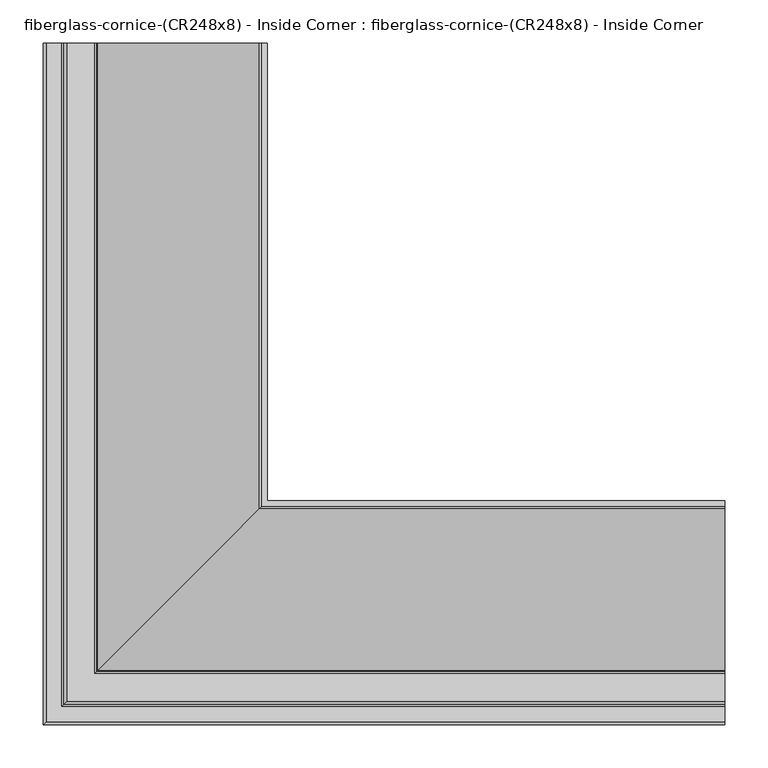
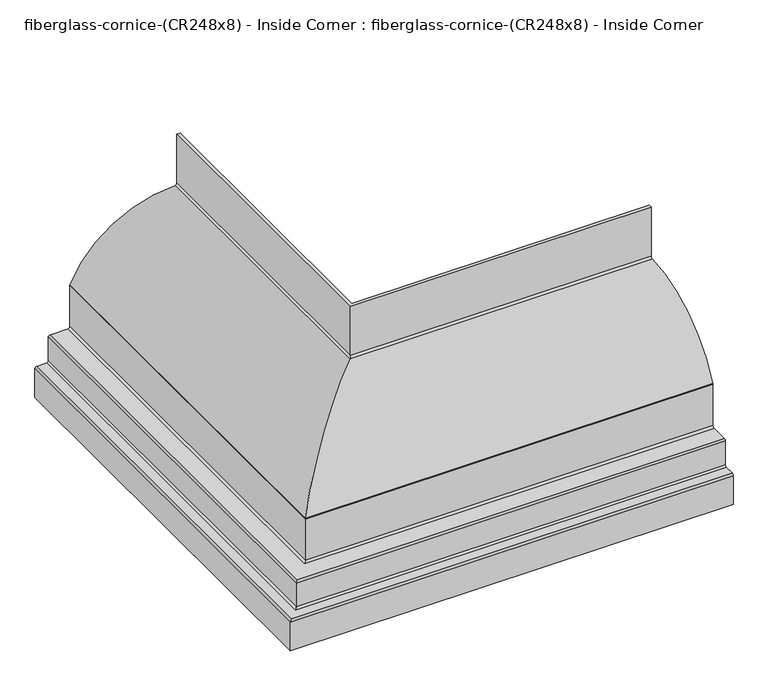
"""IFC4 building model written with IfcOpenShell, lengths in millimetres: furniture geometry, fiberglass-cornice-(CR248x8) - Inside Corner : fiberglass-cornice-(CR248x8) - Inside Corner."""

from ifc_helpers import new_model, si_unit, frame, origin, place, context, project, spatial, polyline, circle_curve, ellipse_curve, source, transform, mapped, element, save
from ifc_brep_helpers import plane_surface, cylinder_surface, revolved_surface, advanced_brep


def fiberglass_cornice_cr248x8_inside_corner_fiberglass_cornice_bc7ba54c(model_context):
    return source(origin(), model_context, "Body", "AdvancedBrep", [
        advanced_brep(
        [(-134.9374938, 888.603125, 330.1999904), (-134.9374938, 888.603125, 231.8481398), (-138.1597503, 888.603125, 228.6734915), (-325.1334084, 888.603125, 112.1425073), (-325.4374938, 888.603125, 110.7866037), (-325.4374938, 888.603125, 28.5749904), (-328.6124938, 888.603125, 25.3999904), (-360.3624938, 888.603125, 25.3999904), (-363.5374938, 888.603125, 22.2249904), (-363.5374938, 888.603125, -22.2250009), (-366.7124938, 888.603125, -25.4000009), (-384.1749938, 888.603125, -25.4000009), (-387.3499938, 888.603125, -28.5750009), (-387.3499938, 888.603125, -76.2000009), (-393.6999938, 888.603125, -76.2000009), (-393.6999938, 888.603125, -22.2250009), (-390.5249938, 888.603125, -19.0500009), (-373.0624938, 888.603125, -19.0500009), (-369.8874938, 888.603125, -15.8750009), (-369.8874938, 888.603125, 28.5749904), (-366.7124938, 888.603125, 31.7499904), (-334.9624938, 888.603125, 31.7499904), (-331.7874938, 888.603125, 34.9249904), (-331.7874938, 888.603125, 112.1990401), (-331.4927545, 888.603125, 113.5349756), (-144.4136671, 888.603125, 235.0212181), (-141.2874938, 888.603125, 238.1958426), (-141.2874938, 888.603125, 330.1999904), (393.6999938, 359.965625, 330.1999904), (393.6999938, 353.615625, 330.1999904), (393.6999938, 353.615625, 238.1958426), (393.6999938, 350.4894517, 235.0212181), (393.6999938, 163.4103644, 113.5349756), (393.6999938, 163.115625, 112.1990401), (393.6999938, 163.115625, 34.9249904), (393.6999938, 159.940625, 31.7499904), (393.6999938, 128.190625, 31.7499904), (393.6999938, 125.015625, 28.5749904), (393.6999938, 125.015625, -15.8750009), (393.6999938, 121.840625, -19.0500009), (393.6999938, 104.378125, -19.0500009), (393.6999938, 101.203125, -22.2250009), (393.6999938, 101.203125, -76.2000009), (393.6999938, 107.553125, -76.2000009), (393.6999938, 107.553125, -28.5750009), (393.6999938, 110.728125, -25.4000009), (393.6999938, 128.190625, -25.4000009), (393.6999938, 131.365625, -22.2250009), (393.6999938, 131.365625, 22.2249904), (393.6999938, 134.540625, 25.3999904), (393.6999938, 166.290625, 25.3999904), (393.6999938, 169.465625, 28.5749904), (393.6999938, 169.465625, 110.7866037), (393.6999938, 169.7697105, 112.1425073), (393.6999938, 356.7433685, 228.6734915), (393.6999938, 359.965625, 231.8481398), (-134.9374938, 359.965625, 330.1999904), (-134.9374938, 359.965625, 231.8481398), (-138.1597503, 356.7433685, 228.6734915), (-325.1334084, 169.7697105, 112.1425073), (-325.4374938, 169.465625, 110.7866037), (-325.4374938, 169.465625, 28.5749904), (-328.6124938, 166.290625, 25.3999904), (-360.3624938, 134.540625, 25.3999904), (-363.5374938, 131.365625, 22.2249904), (-363.5374938, 131.365625, -22.2250009), (-366.7124938, 128.190625, -25.4000009), (-384.1749938, 110.728125, -25.4000009), (-387.3499938, 107.553125, -28.5750009), (-387.3499938, 107.553125, -76.2000009), (-393.6999938, 101.203125, -76.2000009), (-393.6999938, 101.203125, -22.2250009), (-390.5249938, 104.378125, -19.0500009), (-373.0624938, 121.840625, -19.0500009), (-369.8874938, 125.015625, -15.8750009), (-369.8874938, 125.015625, 28.5749904), (-366.7124938, 128.190625, 31.7499904), (-334.9624938, 159.940625, 31.7499904), (-331.7874938, 163.115625, 34.9249904), (-331.7874938, 163.115625, 112.1990401), (-331.4927545, 163.4103644, 113.5349756), (-144.4136671, 350.4894517, 235.0212181), (-141.2874938, 353.615625, 238.1958426), (-141.2874938, 353.615625, 330.1999904)],
        [
            (0, 1),
            (1, 2, circle_curve(frame((-138.1124938, 888.603125, 231.8481398), z_axis=(0.0, 1.0, 0.0), x_axis=(1.0, 0.0, 0.0)), 3.175)),
            (2, 3, circle_curve(frame((-141.1875782, 888.603125, 25.2667695), z_axis=(0.0, -1.0, 0.0), x_axis=(1.0, 0.0, 0.0)), 203.4292562)),
            (3, 4, circle_curve(frame((-322.2624938, 888.603125, 110.7866037), z_axis=(0.0, -1.0, 0.0), x_axis=(1.0, 0.0, 0.0)), 3.175)),
            (4, 5),
            (5, 6, circle_curve(frame((-328.6124938, 888.603125, 28.5749904), z_axis=(0.0, 1.0, 0.0), x_axis=(1.0, 0.0, 0.0)), 3.175)),
            (6, 7),
            (7, 8, circle_curve(frame((-360.3624938, 888.603125, 22.2249904), z_axis=(0.0, -1.0, 0.0), x_axis=(1.0, 0.0, 0.0)), 3.175)),
            (8, 9),
            (9, 10, circle_curve(frame((-366.7124938, 888.603125, -22.2250009), z_axis=(0.0, 1.0, 0.0), x_axis=(1.0, 0.0, 0.0)), 3.175)),
            (10, 11),
            (11, 12, circle_curve(frame((-384.1749938, 888.603125, -28.5750009), z_axis=(0.0, -1.0, 0.0), x_axis=(1.0, 0.0, 0.0)), 3.175)),
            (12, 13),
            (13, 14),
            (14, 15),
            (15, 16, circle_curve(frame((-390.5249938, 888.603125, -22.2250009), z_axis=(0.0, 1.0, 0.0), x_axis=(1.0, 0.0, 0.0)), 3.175)),
            (16, 17),
            (17, 18, circle_curve(frame((-373.0624938, 888.603125, -15.8750009), z_axis=(0.0, -1.0, 0.0), x_axis=(1.0, 0.0, 0.0)), 3.175)),
            (18, 19),
            (19, 20, circle_curve(frame((-366.7124938, 888.603125, 28.5749904), z_axis=(0.0, 1.0, 0.0), x_axis=(1.0, 0.0, 0.0)), 3.175)),
            (20, 21),
            (21, 22, circle_curve(frame((-334.9624938, 888.603125, 34.9249904), z_axis=(0.0, -1.0, 0.0), x_axis=(1.0, 0.0, 0.0)), 3.175)),
            (22, 23),
            (23, 24, circle_curve(frame((-328.6124938, 888.603125, 112.1990401), z_axis=(0.0, 1.0, 0.0), x_axis=(1.0, 0.0, 0.0)), 3.175)),
            (24, 25, circle_curve(frame((-141.1875782, 888.603125, 25.2667695), z_axis=(0.0, 1.0, 0.0), x_axis=(1.0, 0.0, 0.0)), 209.7792562)),
            (25, 26, circle_curve(frame((-144.4624938, 888.603125, 238.1958426), z_axis=(0.0, -1.0, 0.0), x_axis=(1.0, 0.0, 0.0)), 3.175)),
            (26, 27),
            (27, 0),
            (28, 29),
            (29, 30),
            (30, 31, circle_curve(frame((393.6999938, 350.440625, 238.1958426), z_axis=(-1.0, 0.0, 0.0), x_axis=(0.0, 1.0, 0.0)), 3.175)),
            (31, 32, circle_curve(frame((393.6999938, 353.7155407, 25.2667695), z_axis=(1.0, 0.0, 0.0), x_axis=(0.0, 1.0, 0.0)), 209.7792562)),
            (32, 33, circle_curve(frame((393.6999938, 166.290625, 112.1990401), z_axis=(1.0, 0.0, 0.0), x_axis=(0.0, 1.0, 0.0)), 3.175)),
            (33, 34),
            (34, 35, circle_curve(frame((393.6999938, 159.940625, 34.9249904), z_axis=(-1.0, 0.0, 0.0), x_axis=(0.0, 1.0, 0.0)), 3.175)),
            (35, 36),
            (36, 37, circle_curve(frame((393.6999938, 128.190625, 28.5749904), z_axis=(1.0, 0.0, 0.0), x_axis=(0.0, 1.0, 0.0)), 3.175)),
            (37, 38),
            (38, 39, circle_curve(frame((393.6999938, 121.840625, -15.8750009), z_axis=(-1.0, 0.0, 0.0), x_axis=(0.0, 1.0, 0.0)), 3.175)),
            (39, 40),
            (40, 41, circle_curve(frame((393.6999938, 104.378125, -22.2250009), z_axis=(1.0, 0.0, 0.0), x_axis=(0.0, 1.0, 0.0)), 3.175)),
            (41, 42),
            (42, 43),
            (43, 44),
            (44, 45, circle_curve(frame((393.6999938, 110.728125, -28.5750009), z_axis=(-1.0, 0.0, 0.0), x_axis=(0.0, 1.0, 0.0)), 3.175)),
            (45, 46),
            (46, 47, circle_curve(frame((393.6999938, 128.190625, -22.2250009), z_axis=(1.0, 0.0, 0.0), x_axis=(0.0, 1.0, 0.0)), 3.175)),
            (47, 48),
            (48, 49, circle_curve(frame((393.6999938, 134.540625, 22.2249904), z_axis=(-1.0, 0.0, 0.0), x_axis=(0.0, 1.0, 0.0)), 3.175)),
            (49, 50),
            (50, 51, circle_curve(frame((393.6999938, 166.290625, 28.5749904), z_axis=(1.0, 0.0, 0.0), x_axis=(0.0, 1.0, 0.0)), 3.175)),
            (51, 52),
            (52, 53, circle_curve(frame((393.6999938, 172.640625, 110.7866037), z_axis=(-1.0, 0.0, 0.0), x_axis=(0.0, 1.0, 0.0)), 3.175)),
            (53, 54, circle_curve(frame((393.6999938, 353.7155407, 25.2667695), z_axis=(-1.0, 0.0, 0.0), x_axis=(0.0, 1.0, 0.0)), 203.4292562)),
            (54, 55, circle_curve(frame((393.6999938, 356.790625, 231.8481398), z_axis=(1.0, 0.0, 0.0), x_axis=(0.0, 1.0, 0.0)), 3.175)),
            (55, 28),
            (0, 56),
            (56, 57),
            (57, 1),
            (57, 58, ellipse_curve(frame((-138.1124938, 356.790625, 231.8481398), z_axis=(-0.7071067811865475, 0.7071067811865475, 0.0), x_axis=(0.7071067811865474, 0.7071067811865476, 0.0)), 4.4901281, 3.175)),
            (58, 2),
            (58, 59, ellipse_curve(frame((-141.1875782, 353.7155407, 25.2667695), z_axis=(0.7071067811865475, -0.7071067811865475, 0.0), x_axis=(-0.7071067811865474, -0.7071067811865476, 0.0)), 287.6924131, 203.4292562)),
            (59, 3),
            (59, 60, ellipse_curve(frame((-322.2624938, 172.640625, 110.7866037), z_axis=(0.7071067811865475, -0.7071067811865475, 0.0), x_axis=(-0.7071067811865474, -0.7071067811865476, 0.0)), 4.4901281, 3.175)),
            (60, 4),
            (60, 61),
            (61, 5),
            (61, 62, ellipse_curve(frame((-328.6124938, 166.290625, 28.5749904), z_axis=(-0.7071067811865475, 0.7071067811865475, 0.0), x_axis=(0.7071067811865474, 0.7071067811865476, 0.0)), 4.4901281, 3.175)),
            (62, 6),
            (62, 50),
            (49, 63),
            (63, 7),
            (63, 64, ellipse_curve(frame((-360.3624938, 134.540625, 22.2249904), z_axis=(0.7071067811865475, -0.7071067811865475, 0.0), x_axis=(-0.7071067811865474, -0.7071067811865476, 0.0)), 4.4901281, 3.175)),
            (64, 8),
            (64, 65),
            (65, 9),
            (65, 66, ellipse_curve(frame((-366.7124938, 128.190625, -22.2250009), z_axis=(-0.7071067811865475, 0.7071067811865475, 0.0), x_axis=(0.7071067811865474, 0.7071067811865476, 0.0)), 4.4901281, 3.175)),
            (66, 10),
            (66, 46),
            (45, 67),
            (67, 11),
            (67, 68, ellipse_curve(frame((-384.1749938, 110.728125, -28.5750009), z_axis=(0.7071067811865475, -0.7071067811865475, 0.0), x_axis=(-0.7071067811865474, -0.7071067811865476, 0.0)), 4.4901281, 3.175)),
            (68, 12),
            (68, 69),
            (69, 13),
            (69, 43),
            (42, 70),
            (70, 14),
            (70, 71),
            (71, 15),
            (71, 72, ellipse_curve(frame((-390.5249938, 104.378125, -22.2250009), z_axis=(-0.7071067811865475, 0.7071067811865475, 0.0), x_axis=(0.7071067811865474, 0.7071067811865476, 0.0)), 4.4901281, 3.175)),
            (72, 16),
            (72, 40),
            (39, 73),
            (73, 17),
            (73, 74, ellipse_curve(frame((-373.0624938, 121.840625, -15.8750009), z_axis=(0.7071067811865475, -0.7071067811865475, 0.0), x_axis=(-0.7071067811865474, -0.7071067811865476, 0.0)), 4.4901281, 3.175)),
            (74, 18),
            (74, 75),
            (75, 19),
            (75, 76, ellipse_curve(frame((-366.7124938, 128.190625, 28.5749904), z_axis=(-0.7071067811865475, 0.7071067811865475, 0.0), x_axis=(0.7071067811865474, 0.7071067811865476, 0.0)), 4.4901281, 3.175)),
            (76, 20),
            (76, 36),
            (35, 77),
            (77, 21),
            (77, 78, ellipse_curve(frame((-334.9624938, 159.940625, 34.9249904), z_axis=(0.7071067811865475, -0.7071067811865475, 0.0), x_axis=(-0.7071067811865474, -0.7071067811865476, 0.0)), 4.4901281, 3.175)),
            (78, 22),
            (78, 79),
            (79, 23),
            (79, 80, ellipse_curve(frame((-328.6124938, 166.290625, 112.1990401), z_axis=(-0.7071067811865475, 0.7071067811865475, 0.0), x_axis=(0.7071067811865474, 0.7071067811865476, 0.0)), 4.4901281, 3.175)),
            (80, 24),
            (80, 81, ellipse_curve(frame((-141.1875782, 353.7155407, 25.2667695), z_axis=(-0.7071067811865475, 0.7071067811865475, 0.0), x_axis=(0.7071067811865474, 0.7071067811865476, 0.0)), 296.6726692, 209.7792562)),
            (81, 25),
            (81, 82, ellipse_curve(frame((-144.4624938, 350.440625, 238.1958426), z_axis=(0.7071067811865475, -0.7071067811865475, 0.0), x_axis=(-0.7071067811865474, -0.7071067811865476, 0.0)), 4.4901281, 3.175)),
            (82, 26),
            (82, 83),
            (83, 27),
            (83, 29),
            (28, 56),
            (55, 57),
            (54, 58),
            (53, 59),
            (52, 60),
            (51, 61),
            (48, 64),
            (47, 65),
            (44, 68),
            (41, 71),
            (38, 74),
            (37, 75),
            (34, 78),
            (33, 79),
            (32, 80),
            (31, 81),
            (30, 82),
        ],
        [
            plane_surface(frame((-393.6999938, 888.603125, 330.1999904), z_axis=(0.0, 1.0, 0.0), x_axis=(0.0, 0.0, 1.0))),
            plane_surface(frame((393.6999938, 101.203125, 330.1999904), z_axis=(1.0, 0.0, 0.0), x_axis=(0.0, 0.0, 1.0))),
            plane_surface(frame((-134.9374938, 888.603125, 330.1999904), z_axis=(1.0, 0.0, 0.0), x_axis=(0.0, -1.0, 0.0))),
            cylinder_surface(frame((-138.1124938, 888.603125, 231.8481398), z_axis=(0.0, 1.0, 0.0), x_axis=(1.0, 0.0, 0.0)), 3.175),
            revolved_surface(polyline([(62.24167800000001, 150.2862845010685, 25.2667695), (62.24167800000001, 888.603125, 25.2667695)]), (-141.1875782, 888.603125, 25.2667695), (0.0, -1.0, 0.0)),
            revolved_surface(polyline([(-319.0874938, 169.46562497209368, 110.7866037), (-319.0874938, 888.603125, 110.7866037)]), (-322.2624938, 888.603125, 110.7866037), (0.0, -1.0, 0.0)),
            plane_surface(frame((-325.4374938, 888.603125, 110.7866037), z_axis=(1.0, 0.0, 0.0), x_axis=(0.0, -1.0, 0.0))),
            cylinder_surface(frame((-328.6124938, 888.603125, 28.5749904), z_axis=(0.0, 1.0, 0.0), x_axis=(1.0, 0.0, 0.0)), 3.175),
            plane_surface(frame((-328.6124938, 888.603125, 25.3999904), z_axis=(0.0, 0.0, -1.0), x_axis=(0.0, -1.0, 0.0))),
            revolved_surface(polyline([(-357.18749379999997, 131.36562497209366, 22.2249904), (-357.18749379999997, 888.603125, 22.2249904)]), (-360.3624938, 888.603125, 22.2249904), (0.0, -1.0, 0.0)),
            plane_surface(frame((-363.5374938, 888.603125, 22.2249904), z_axis=(1.0, 0.0, 0.0), x_axis=(0.0, -1.0, 0.0))),
            cylinder_surface(frame((-366.7124938, 888.603125, -22.2250009), z_axis=(0.0, 1.0, 0.0), x_axis=(1.0, 0.0, 0.0)), 3.175),
            plane_surface(frame((-366.7124938, 888.603125, -25.4000009), z_axis=(0.0, 0.0, -1.0), x_axis=(0.0, -1.0, 0.0))),
            revolved_surface(polyline([(-380.99999379999997, 107.55312497209366, -28.5750009), (-380.99999379999997, 888.603125, -28.5750009)]), (-384.1749938, 888.603125, -28.5750009), (0.0, -1.0, 0.0)),
            plane_surface(frame((-387.3499938, 888.603125, -28.5750009), z_axis=(1.0, 0.0, 0.0), x_axis=(0.0, -1.0, 0.0))),
            plane_surface(frame((-387.3499938, 888.603125, -76.2000009), z_axis=(0.0, 0.0, -1.0), x_axis=(0.0, -1.0, 0.0))),
            plane_surface(frame((-393.6999938, 888.603125, -76.2000009), z_axis=(-1.0, 0.0, 0.0), x_axis=(0.0, -1.0, 0.0))),
            cylinder_surface(frame((-390.5249938, 888.603125, -22.2250009), z_axis=(0.0, 1.0, 0.0), x_axis=(1.0, 0.0, 0.0)), 3.175),
            plane_surface(frame((-390.5249938, 888.603125, -19.0500009), z_axis=(0.0, 0.0, 1.0), x_axis=(0.0, -1.0, 0.0))),
            revolved_surface(polyline([(-369.8874938, 118.66562497209372, -15.8750009), (-369.8874938, 888.603125, -15.8750009)]), (-373.0624938, 888.603125, -15.8750009), (0.0, -1.0, 0.0)),
            plane_surface(frame((-369.8874938, 888.603125, -15.8750009), z_axis=(-1.0, 0.0, 0.0), x_axis=(0.0, -1.0, 0.0))),
            cylinder_surface(frame((-366.7124938, 888.603125, 28.5749904), z_axis=(0.0, 1.0, 0.0), x_axis=(1.0, 0.0, 0.0)), 3.175),
            plane_surface(frame((-366.7124938, 888.603125, 31.7499904), z_axis=(0.0, 0.0, 1.0), x_axis=(0.0, -1.0, 0.0))),
            revolved_surface(polyline([(-331.7874938, 156.76562497209375, 34.9249904), (-331.7874938, 888.603125, 34.9249904)]), (-334.9624938, 888.603125, 34.9249904), (0.0, -1.0, 0.0)),
            plane_surface(frame((-331.7874938, 888.603125, 34.9249904), z_axis=(-1.0, 0.0, 0.0), x_axis=(0.0, -1.0, 0.0))),
            cylinder_surface(frame((-328.6124938, 888.603125, 112.1990401), z_axis=(0.0, 1.0, 0.0), x_axis=(1.0, 0.0, 0.0)), 3.175),
            cylinder_surface(frame((-141.1875782, 888.603125, 25.2667695), z_axis=(0.0, 1.0, 0.0), x_axis=(1.0, 0.0, 0.0)), 209.7792562),
            revolved_surface(polyline([(-141.2874938, 347.26562497209375, 238.1958426), (-141.2874938, 888.603125, 238.1958426)]), (-144.4624938, 888.603125, 238.1958426), (0.0, -1.0, 0.0)),
            plane_surface(frame((-141.2874938, 888.603125, 238.1958426), z_axis=(-1.0, 0.0, 0.0), x_axis=(0.0, -1.0, 0.0))),
            plane_surface(frame((-141.2874938, 888.603125, 330.1999904), z_axis=(0.0, 0.0, 1.0), x_axis=(0.0, -1.0, 0.0))),
            plane_surface(frame((-134.9374938, 359.965625, 330.1999904), z_axis=(0.0, 1.0, 0.0), x_axis=(1.0, 0.0, 0.0))),
            cylinder_surface(frame((-393.6999938, 356.790625, 231.8481398), z_axis=(-1.0, 0.0, 0.0), x_axis=(0.0, 1.0, 0.0)), 3.175),
            revolved_surface(polyline([(393.6999938, 557.1447969000001, 25.2667695), (-344.6168343989315, 557.1447969000001, 25.2667695)]), (-393.6999938, 353.7155407, 25.2667695), (1.0, 0.0, 0.0)),
            revolved_surface(polyline([(393.6999938, 175.815625, 110.7866037), (-325.4374938279063, 175.815625, 110.7866037)]), (-393.6999938, 172.640625, 110.7866037), (1.0, 0.0, 0.0)),
            plane_surface(frame((-325.4374938, 169.465625, 110.7866037), z_axis=(0.0, 1.0, 0.0), x_axis=(1.0, 0.0, 0.0))),
            cylinder_surface(frame((-393.6999938, 166.290625, 28.5749904), z_axis=(-1.0, 0.0, 0.0), x_axis=(0.0, 1.0, 0.0)), 3.175),
            revolved_surface(polyline([(393.6999938, 137.71562500000002, 22.2249904), (-363.53749382790625, 137.71562500000002, 22.2249904)]), (-393.6999938, 134.540625, 22.2249904), (1.0, 0.0, 0.0)),
            plane_surface(frame((-363.5374938, 131.365625, 22.2249904), z_axis=(0.0, 1.0, 0.0), x_axis=(1.0, 0.0, 0.0))),
            cylinder_surface(frame((-393.6999938, 128.190625, -22.2250009), z_axis=(-1.0, 0.0, 0.0), x_axis=(0.0, 1.0, 0.0)), 3.175),
            revolved_surface(polyline([(393.6999938, 113.903125, -28.5750009), (-387.34999382790625, 113.903125, -28.5750009)]), (-393.6999938, 110.728125, -28.5750009), (1.0, 0.0, 0.0)),
            plane_surface(frame((-387.3499938, 107.553125, -28.5750009), z_axis=(0.0, 1.0, 0.0), x_axis=(1.0, 0.0, 0.0))),
            plane_surface(frame((-393.6999938, 101.203125, -76.2000009), z_axis=(0.0, -1.0, 0.0), x_axis=(1.0, 0.0, 0.0))),
            cylinder_surface(frame((-393.6999938, 104.378125, -22.2250009), z_axis=(-1.0, 0.0, 0.0), x_axis=(0.0, 1.0, 0.0)), 3.175),
            revolved_surface(polyline([(393.6999938, 125.015625, -15.8750009), (-376.2374938279063, 125.015625, -15.8750009)]), (-393.6999938, 121.840625, -15.8750009), (1.0, 0.0, 0.0)),
            plane_surface(frame((-369.8874938, 125.015625, -15.8750009), z_axis=(0.0, -1.0, 0.0), x_axis=(1.0, 0.0, 0.0))),
            cylinder_surface(frame((-393.6999938, 128.190625, 28.5749904), z_axis=(-1.0, 0.0, 0.0), x_axis=(0.0, 1.0, 0.0)), 3.175),
            revolved_surface(polyline([(393.6999938, 163.11562500000002, 34.9249904), (-338.13749382790627, 163.11562500000002, 34.9249904)]), (-393.6999938, 159.940625, 34.9249904), (1.0, 0.0, 0.0)),
            plane_surface(frame((-331.7874938, 163.115625, 34.9249904), z_axis=(0.0, -1.0, 0.0), x_axis=(1.0, 0.0, 0.0))),
            cylinder_surface(frame((-393.6999938, 166.290625, 112.1990401), z_axis=(-1.0, 0.0, 0.0), x_axis=(0.0, 1.0, 0.0)), 3.175),
            cylinder_surface(frame((-393.6999938, 353.7155407, 25.2667695), z_axis=(-1.0, 0.0, 0.0), x_axis=(0.0, 1.0, 0.0)), 209.7792562),
            revolved_surface(polyline([(393.6999938, 353.615625, 238.1958426), (-147.63749382790627, 353.615625, 238.1958426)]), (-393.6999938, 350.440625, 238.1958426), (1.0, 0.0, 0.0)),
            plane_surface(frame((-141.2874938, 353.615625, 238.1958426), z_axis=(0.0, -1.0, 0.0), x_axis=(1.0, 0.0, 0.0))),
        ],
        [
            (0, [[1, 2, 3, 4, 5, 6, 7, 8, 9, 10, 11, 12, 13, 14, 15, 16, 17, 18, 19, 20, 21, 22, 23, 24, 25, 26, 27, 28]]),
            (1, [[29, 30, 31, 32, 33, 34, 35, 36, 37, 38, 39, 40, 41, 42, 43, 44, 45, 46, 47, 48, 49, 50, 51, 52, 53, 54, 55, 56]]),
            (2, [[-1, 57, 58, 59]]),
            (3, [[-2, -59, 60, 61]]),
            (4, [[-3, -61, 62, 63]]),
            (5, [[-4, -63, 64, 65]]),
            (6, [[-5, -65, 66, 67]]),
            (7, [[-6, -67, 68, 69]]),
            (8, [[-7, -69, 70, -50, 71, 72]]),
            (9, [[-8, -72, 73, 74]]),
            (10, [[-9, -74, 75, 76]]),
            (11, [[-10, -76, 77, 78]]),
            (12, [[-11, -78, 79, -46, 80, 81]]),
            (13, [[-12, -81, 82, 83]]),
            (14, [[-13, -83, 84, 85]]),
            (15, [[-14, -85, 86, -43, 87, 88]]),
            (16, [[-15, -88, 89, 90]]),
            (17, [[-16, -90, 91, 92]]),
            (18, [[-17, -92, 93, -40, 94, 95]]),
            (19, [[-18, -95, 96, 97]]),
            (20, [[-19, -97, 98, 99]]),
            (21, [[-20, -99, 100, 101]]),
            (22, [[-21, -101, 102, -36, 103, 104]]),
            (23, [[-22, -104, 105, 106]]),
            (24, [[-23, -106, 107, 108]]),
            (25, [[-24, -108, 109, 110]]),
            (26, [[-25, -110, 111, 112]]),
            (27, [[-26, -112, 113, 114]]),
            (28, [[-27, -114, 115, 116]]),
            (29, [[-28, -116, 117, -29, 118, -57]]),
            (30, [[-58, -118, -56, 119]]),
            (31, [[-60, -119, -55, 120]]),
            (32, [[-62, -120, -54, 121]]),
            (33, [[-64, -121, -53, 122]]),
            (34, [[-66, -122, -52, 123]]),
            (35, [[-68, -123, -51, -70]]),
            (36, [[-73, -71, -49, 124]]),
            (37, [[-75, -124, -48, 125]]),
            (38, [[-77, -125, -47, -79]]),
            (39, [[-82, -80, -45, 126]]),
            (40, [[-84, -126, -44, -86]]),
            (41, [[-89, -87, -42, 127]]),
            (42, [[-91, -127, -41, -93]]),
            (43, [[-96, -94, -39, 128]]),
            (44, [[-98, -128, -38, 129]]),
            (45, [[-100, -129, -37, -102]]),
            (46, [[-105, -103, -35, 130]]),
            (47, [[-107, -130, -34, 131]]),
            (48, [[-109, -131, -33, 132]]),
            (49, [[-111, -132, -32, 133]]),
            (50, [[-113, -133, -31, 134]]),
            (51, [[-115, -134, -30, -117]]),
        ],
    ),
    ])


if __name__ == "__main__":
    model = new_model("IFC4")
    model_context = context("Model", 3, world=origin())
    ifc_project = project(units=[si_unit("LENGTHUNIT", "METRE", prefix="MILLI")], contexts=[model_context])
    site = spatial("IfcSite", under=ifc_project)
    building = spatial("IfcBuilding", under=site)
    placement = place(None, origin())
    fiberglass_cornice_cr248x8_inside_corner_fiberglass_cornice_shape = fiberglass_cornice_cr248x8_inside_corner_fiberglass_cornice_bc7ba54c(model_context)
    element("IfcFurniture", 1, ObjectType="fiberglass-cornice-(CR248x8) - Inside Corner : fiberglass-cornice-(CR248x8) - Inside Corner", at=placement, inside=building, context=model_context, shape_type="MappedRepresentation", body=[
        mapped(fiberglass_cornice_cr248x8_inside_corner_fiberglass_cornice_shape, transform((0.0, 0.0, 0.0), x_axis=(1.0, 0.0, 0.0), y_axis=(0.0, 1.0, 0.0), z_axis=(0.0, 0.0, 1.0))),
    ])
    save(model, "model.ifc")
